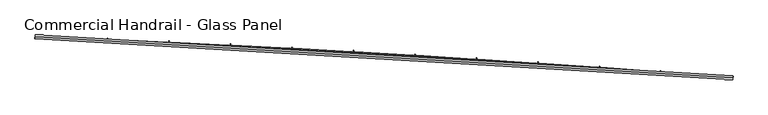
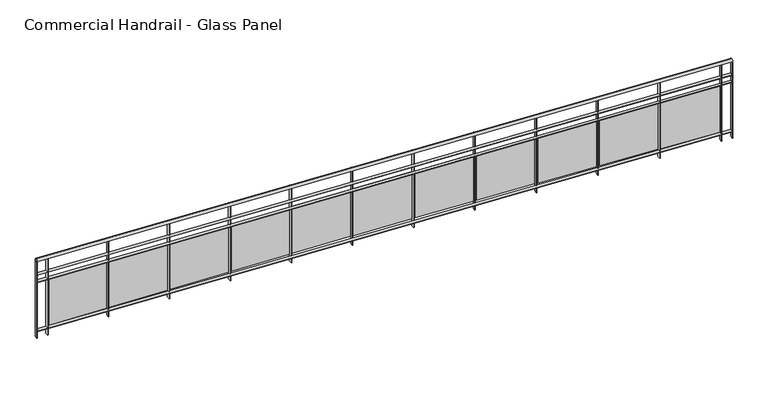
"""IFC4 building model written with IfcOpenShell, lengths in millimetres: railing geometry, Commercial Handrail - Glass Panel."""

from ifc_helpers import new_model, si_unit, point, frame, origin, place, context, project, spatial, polyline, circle_curve, ellipse_curve, trimmed, outline, extrude, source, transform, mapped, element, save
from ifc_brep_helpers import plane_surface, cylinder_surface, revolved_surface, advanced_brep


def commercial_handrail_glass_panel_168162b0(model_context):
    return source(origin(), model_context, "Body", "SolidModel", [
        advanced_brep(
        [(118318.4035087, -32849.2717188, 16282.5), (127382.7214131, -33380.8122629, 16282.5), (127382.7214131, -33380.8122629, 16317.5), (118318.4035087, -32849.2717188, 16317.5)],
        [
            (0, 1, circle_curve(frame((108840.1585672, -272033.3263712, 16282.5), z_axis=(0.0, 0.0, -1.0), x_axis=(0.07746344550314502, 0.9969951928724538, 0.0)), 239371.7801395)),
            (1, 2, ellipse_curve(frame((127382.7214131, -33380.8122629, 16300.0), z_axis=(-0.9969951928724544, 0.07746344550313862, 0.0), x_axis=(0.0774634455031386, 0.9969951928724542, 0.0)), 25.0, 17.5)),
            (2, 3, circle_curve(frame((108840.1585672, -272033.3263712, 16317.5), z_axis=(0.0, 0.0, 1.0), x_axis=(0.07746344550314502, 0.9969951928724538, 0.0)), 239371.7801395)),
            (3, 0, ellipse_curve(frame((118318.4035087, -32849.2717188, 16300.0), z_axis=(0.9992157576513465, -0.03959633393694334, 0.0), x_axis=(0.03959633393694333, 0.9992157576513463, 0.0)), 25.0, 17.5)),
            (2, 1, ellipse_curve(frame((127382.7214131, -33380.8122629, 16300.0), z_axis=(-0.9969951928724544, 0.07746344550313862, 0.0), x_axis=(0.0774634455031386, 0.9969951928724542, 0.0)), 25.0, 17.5)),
            (0, 3, ellipse_curve(frame((118318.4035087, -32849.2717188, 16300.0), z_axis=(0.9992157576513465, -0.03959633393694334, 0.0), x_axis=(0.03959633393694333, 0.9992157576513463, 0.0)), 25.0, 17.5)),
        ],
        [
            revolved_surface(trimmed(ellipse_curve(frame((127382.7214131, -33380.8122629, 16300.0), z_axis=(0.9969951928724538, -0.07746344550314502, 0.0), x_axis=(0.0, 0.0, -1.0)), 17.5, 25.0), [point((127382.7214131, -33380.8122629, 16317.5))], [point((127382.7214131, -33380.8122629, 16282.5))], True, "CARTESIAN"), (108840.1585672, -272033.3263712, 16300.0), (0.0, 0.0, 1.0)),
            revolved_surface(trimmed(ellipse_curve(frame((127382.7214131, -33380.8122629, 16300.0), z_axis=(0.9969951928724538, -0.07746344550314502, 0.0), x_axis=(0.0, 0.0, -1.0)), 17.5, 25.0), [point((127382.7214131, -33380.8122629, 16282.5))], [point((127382.7214131, -33380.8122629, 16317.5))], True, "CARTESIAN"), (108840.1585672, -272033.3263712, 16300.0), (0.0, 0.0, 1.0)),
            plane_surface(frame((127382.7214131, -33380.8122629, 16300.0), z_axis=(0.9969951928724538, -0.07746344550314502, 0.0), x_axis=(0.07746344550314502, 0.9969951928724538, 0.0))),
            plane_surface(frame((118318.4035087, -32849.2717188, 16300.0), z_axis=(-0.9992157576513464, 0.03959633393694337, 0.0), x_axis=(0.03959633393694337, 0.9992157576513464, 0.0))),
        ],
        [
            (0, [[1, 2, 3, 4]]),
            (1, [[-3, 5, -1, 6]]),
            (2, [[-2, -5]]),
            (3, [[-6, -4]]),
        ],
    ),
        advanced_brep(
        [(118317.5125912, -32871.7540734, 16100.0), (127380.9784855, -33403.2446547, 16100.0), (127384.4643406, -33358.379871, 16100.0), (118319.2944262, -32826.7893643, 16100.0), (118317.5125912, -32871.7540734, 16094.0), (127380.9784855, -33403.2446547, 16094.0), (118319.2944262, -32826.7893643, 16094.0), (127384.4643406, -33358.379871, 16094.0)],
        [
            (0, 1, circle_curve(frame((108840.1585672, -272033.3263712, 16100.0), z_axis=(0.0, 0.0, -1.0), x_axis=(0.07746344550314502, 0.9969951928724538, 0.0)), 239349.2801395)),
            (1, 2),
            (2, 3, circle_curve(frame((108840.1585672, -272033.3263712, 16100.0), z_axis=(0.0, 0.0, 1.0), x_axis=(0.07746344550314502, 0.9969951928724538, 0.0)), 239394.2801395)),
            (3, 0),
            (4, 5, circle_curve(frame((108840.1585672, -272033.3263712, 16094.0), z_axis=(0.0, 0.0, -1.0), x_axis=(0.07746344550314502, 0.9969951928724538, 0.0)), 239349.2801395)),
            (5, 1),
            (0, 4),
            (6, 7, circle_curve(frame((108840.1585672, -272033.3263712, 16094.0), z_axis=(0.0, 0.0, -1.0), x_axis=(0.07746344550314502, 0.9969951928724538, 0.0)), 239394.2801395)),
            (7, 5),
            (4, 6),
            (2, 7),
            (6, 3),
        ],
        [
            plane_surface(frame((108840.1585672, -272033.3263712, 16100.0), z_axis=(0.0, 0.0, 1.0), x_axis=(0.07746344550314502, 0.9969951928724538, 0.0))),
            revolved_surface(polyline([(127380.97848550315, -33403.24465463619, 16100.0), (127380.97848550315, -33403.24465463619, 16094.0)]), (108840.1585672, -272033.3263712, 16100.0), (0.0, 0.0, 1.0)),
            plane_surface(frame((108840.1585672, -272033.3263712, 16094.0), z_axis=(0.0, 0.0, -1.0), x_axis=(0.07746344550314502, 0.9969951928724538, 0.0))),
            cylinder_surface(frame((108840.1585672, -272033.3263712, 16100.0), z_axis=(0.0, 0.0, 1.0), x_axis=(0.07746344550314502, 0.9969951928724538, 0.0)), 239394.2801395),
            plane_surface(frame((127382.7214131, -33380.8122629, 16100.0), z_axis=(0.9969951928724538, -0.07746344550314502, 0.0), x_axis=(0.07746344550314502, 0.9969951928724538, 0.0))),
            plane_surface(frame((118318.4035087, -32849.2717188, 16100.0), z_axis=(-0.9992157576513464, 0.03959633393694337, 0.0), x_axis=(0.03959633393694337, 0.9992157576513464, 0.0))),
        ],
        [
            (0, [[1, 2, 3, 4]]),
            (1, [[5, 6, -1, 7]]),
            (2, [[8, 9, -5, 10]]),
            (3, [[-3, 11, -8, 12]]),
            (4, [[-2, -6, -9, -11]]),
            (5, [[-12, -10, -7, -4]]),
        ],
    ),
        advanced_brep(
        [(118317.5125912, -32871.7540734, 16000.0), (127380.9784855, -33403.2446547, 16000.0), (127384.4643406, -33358.379871, 16000.0), (118319.2944262, -32826.7893643, 16000.0), (118317.5125912, -32871.7540734, 15994.0), (127380.9784855, -33403.2446547, 15994.0), (118319.2944262, -32826.7893643, 15994.0), (127384.4643406, -33358.379871, 15994.0)],
        [
            (0, 1, circle_curve(frame((108840.1585672, -272033.3263712, 16000.0), z_axis=(0.0, 0.0, -1.0), x_axis=(0.07746344550314502, 0.9969951928724538, 0.0)), 239349.2801395)),
            (1, 2),
            (2, 3, circle_curve(frame((108840.1585672, -272033.3263712, 16000.0), z_axis=(0.0, 0.0, 1.0), x_axis=(0.07746344550314502, 0.9969951928724538, 0.0)), 239394.2801395)),
            (3, 0),
            (4, 5, circle_curve(frame((108840.1585672, -272033.3263712, 15994.0), z_axis=(0.0, 0.0, -1.0), x_axis=(0.07746344550314502, 0.9969951928724538, 0.0)), 239349.2801395)),
            (5, 1),
            (0, 4),
            (6, 7, circle_curve(frame((108840.1585672, -272033.3263712, 15994.0), z_axis=(0.0, 0.0, -1.0), x_axis=(0.07746344550314502, 0.9969951928724538, 0.0)), 239394.2801395)),
            (7, 5),
            (4, 6),
            (2, 7),
            (6, 3),
        ],
        [
            plane_surface(frame((108840.1585672, -272033.3263712, 16000.0), z_axis=(0.0, 0.0, 1.0), x_axis=(0.07746344550314502, 0.9969951928724538, 0.0))),
            revolved_surface(polyline([(127380.97848550315, -33403.24465463619, 16000.0), (127380.97848550315, -33403.24465463619, 15994.0)]), (108840.1585672, -272033.3263712, 16000.0), (0.0, 0.0, 1.0)),
            plane_surface(frame((108840.1585672, -272033.3263712, 15994.0), z_axis=(0.0, 0.0, -1.0), x_axis=(0.07746344550314502, 0.9969951928724538, 0.0))),
            cylinder_surface(frame((108840.1585672, -272033.3263712, 16000.0), z_axis=(0.0, 0.0, 1.0), x_axis=(0.07746344550314502, 0.9969951928724538, 0.0)), 239394.2801395),
            plane_surface(frame((127382.7214131, -33380.8122629, 16000.0), z_axis=(0.9969951928724538, -0.07746344550314502, 0.0), x_axis=(0.07746344550314502, 0.9969951928724538, 0.0))),
            plane_surface(frame((118318.4035087, -32849.2717188, 16000.0), z_axis=(-0.9992157576513464, 0.03959633393694337, 0.0), x_axis=(0.03959633393694337, 0.9992157576513464, 0.0))),
        ],
        [
            (0, [[1, 2, 3, 4]]),
            (1, [[5, 6, -1, 7]]),
            (2, [[8, 9, -5, 10]]),
            (3, [[-3, 11, -8, 12]]),
            (4, [[-2, -6, -9, -11]]),
            (5, [[-12, -10, -7, -4]]),
        ],
    ),
        advanced_brep(
        [(118317.5125912, -32871.7540734, 15300.0), (127380.9784855, -33403.2446547, 15300.0), (127384.4643406, -33358.379871, 15300.0), (118319.2944262, -32826.7893643, 15300.0), (118317.5125912, -32871.7540734, 15294.0), (127380.9784855, -33403.2446547, 15294.0), (118319.2944262, -32826.7893643, 15294.0), (127384.4643406, -33358.379871, 15294.0)],
        [
            (0, 1, circle_curve(frame((108840.1585672, -272033.3263712, 15300.0), z_axis=(0.0, 0.0, -1.0), x_axis=(0.07746344550314502, 0.9969951928724538, 0.0)), 239349.2801395)),
            (1, 2),
            (2, 3, circle_curve(frame((108840.1585672, -272033.3263712, 15300.0), z_axis=(0.0, 0.0, 1.0), x_axis=(0.07746344550314502, 0.9969951928724538, 0.0)), 239394.2801395)),
            (3, 0),
            (4, 5, circle_curve(frame((108840.1585672, -272033.3263712, 15294.0), z_axis=(0.0, 0.0, -1.0), x_axis=(0.07746344550314502, 0.9969951928724538, 0.0)), 239349.2801395)),
            (5, 1),
            (0, 4),
            (6, 7, circle_curve(frame((108840.1585672, -272033.3263712, 15294.0), z_axis=(0.0, 0.0, -1.0), x_axis=(0.07746344550314502, 0.9969951928724538, 0.0)), 239394.2801395)),
            (7, 5),
            (4, 6),
            (2, 7),
            (6, 3),
        ],
        [
            plane_surface(frame((108840.1585672, -272033.3263712, 15300.0), z_axis=(0.0, 0.0, 1.0), x_axis=(0.07746344550314502, 0.9969951928724538, 0.0))),
            revolved_surface(polyline([(127380.97848550315, -33403.24465463619, 15300.0), (127380.97848550315, -33403.24465463619, 15294.0)]), (108840.1585672, -272033.3263712, 15300.0), (0.0, 0.0, 1.0)),
            plane_surface(frame((108840.1585672, -272033.3263712, 15294.0), z_axis=(0.0, 0.0, -1.0), x_axis=(0.07746344550314502, 0.9969951928724538, 0.0))),
            cylinder_surface(frame((108840.1585672, -272033.3263712, 15300.0), z_axis=(0.0, 0.0, 1.0), x_axis=(0.07746344550314502, 0.9969951928724538, 0.0)), 239394.2801395),
            plane_surface(frame((127382.7214131, -33380.8122629, 15300.0), z_axis=(0.9969951928724538, -0.07746344550314502, 0.0), x_axis=(0.07746344550314502, 0.9969951928724538, 0.0))),
            plane_surface(frame((118318.4035087, -32849.2717188, 15300.0), z_axis=(-0.9992157576513464, 0.03959633393694337, 0.0), x_axis=(0.03959633393694337, 0.9992157576513464, 0.0))),
        ],
        [
            (0, [[1, 2, 3, 4]]),
            (1, [[5, 6, -1, 7]]),
            (2, [[8, 9, -5, 10]]),
            (3, [[-3, 11, -8, 12]]),
            (4, [[-2, -6, -9, -11]]),
            (5, [[-12, -10, -7, -4]]),
        ],
    ),
        extrude(outline(polyline([(118462.4105775, -32832.5035492), (118460.6024038, -32877.4672068), (118454.6072494, -32877.226117), (118456.4154232, -32832.2624594), (118462.4105775, -32832.5035492)])), frame((0.0, 0.0, 15200.0), z_axis=(0.0, 0.0, 1.0), x_axis=(1.0, 0.0, 0.0)), (0.0, 0.0, 1.0), 1082.1192282),
        extrude(outline(polyline([(119237.5882112, -32893.169646), (118478.2540839, -32861.3626786), (118478.7562992, -32849.3731924), (119238.0904265, -32881.1801598), (119237.5882112, -32893.169646)])), frame((0.0, 0.0, 15320.0), z_axis=(0.0, 0.0, 1.0), x_axis=(1.0, 0.0, 0.0)), (0.0, 0.0, 1.0), 660.0),
        extrude(outline(polyline([(119261.7839982, -32865.9977164), (119259.8255626, -32910.9550799), (119253.8312475, -32910.6939552), (119255.789683, -32865.7365917), (119261.7839982, -32865.9977164)])), frame((0.0, 0.0, 15200.0), z_axis=(0.0, 0.0, 1.0), x_axis=(1.0, 0.0, 0.0)), (0.0, 0.0, 1.0), 1082.1192282),
        extrude(outline(polyline([(120036.754552, -32929.2541764), (119277.5309667, -32894.9096349), (119278.0732489, -32882.9218941), (120037.2968342, -32917.2664356), (120036.754552, -32929.2541764)])), frame((0.0, 0.0, 15320.0), z_axis=(0.0, 0.0, 1.0), x_axis=(1.0, 0.0, 0.0)), (0.0, 0.0, 1.0), 660.0),
        extrude(outline(polyline([(120061.0410145, -32902.1632628), (120058.932339, -32947.1138299), (120052.93893, -32946.8326732), (120055.0476055, -32901.8821061), (120061.0410145, -32902.1632628)])), frame((0.0, 0.0, 15200.0), z_axis=(0.0, 0.0, 1.0), x_axis=(1.0, 0.0, 0.0)), (0.0, 0.0, 1.0), 1082.1192282),
        extrude(outline(polyline([(120835.7958324, -32968.0093795), (120076.6912693, -32931.1276473), (120077.2736124, -32919.1417858), (120836.3781756, -32956.0235179), (120835.7958324, -32968.0093795)])), frame((0.0, 0.0, 15320.0), z_axis=(0.0, 0.0, 1.0), x_axis=(1.0, 0.0, 0.0)), (0.0, 0.0, 1.0), 660.0),
        extrude(outline(polyline([(120860.1726992, -32940.9997843), (120857.9138072, -32985.943053), (120851.9213714, -32985.6418675), (120854.1802633, -32940.6985987), (120860.1726992, -32940.9997843)])), frame((0.0, 0.0, 15200.0), z_axis=(0.0, 0.0, 1.0), x_axis=(1.0, 0.0, 0.0)), (0.0, 0.0, 1.0), 1082.1192282),
        extrude(outline(polyline([(121634.7031276, -33009.4348222), (120875.7260654, -32970.0163114), (120876.3484629, -32958.032463), (121635.3255252, -32997.4509738), (121634.7031276, -33009.4348222)])), frame((0.0, 0.0, 15320.0), z_axis=(0.0, 0.0, 1.0), x_axis=(1.0, 0.0, 0.0)), (0.0, 0.0, 1.0), 660.0),
        extrude(outline(polyline([(121659.1701263, -32982.5068471), (121656.7610432, -33027.4423155), (121650.7696474, -33027.1211044), (121653.1787305, -32982.1856361), (121659.1701263, -32982.5068471)])), frame((0.0, 0.0, 15200.0), z_axis=(0.0, 0.0, 1.0), x_axis=(1.0, 0.0, 0.0)), (0.0, 0.0, 1.0), 1082.1192282),
        extrude(outline(polyline([(122433.4675142, -33053.5300418), (121674.6264303, -33011.5751927), (121675.2888752, -32999.5934914), (122434.1299592, -33041.5483405), (122433.4675142, -33053.5300418)])), frame((0.0, 0.0, 15320.0), z_axis=(0.0, 0.0, 1.0), x_axis=(1.0, 0.0, 0.0)), (0.0, 0.0, 1.0), 660.0),
        extrude(outline(polyline([(122458.0243716, -33026.6839877), (122455.4651242, -33071.6111538), (122449.4748354, -33071.2699209), (122452.0340827, -33026.3427548), (122458.0243716, -33026.6839877)])), frame((0.0, 0.0, 15200.0), z_axis=(0.0, 0.0, 1.0), x_axis=(1.0, 0.0, 0.0)), (0.0, 0.0, 1.0), 1082.1192282),
        extrude(outline(polyline([(123232.0800703, -33100.2945459), (122473.3834406, -33055.8038271), (122474.0859256, -33043.8244066), (123232.7825553, -33088.3151255), (123232.0800703, -33100.2945459)])), frame((0.0, 0.0, 15320.0), z_axis=(0.0, 0.0, 1.0), x_axis=(1.0, 0.0, 0.0)), (0.0, 0.0, 1.0), 660.0),
        extrude(outline(polyline([(123256.726512, -33073.5307127), (123254.017129, -33118.4490746), (123248.0280141, -33118.0878236), (123250.7373971, -33073.1694616), (123256.726512, -33073.5307127)])), frame((0.0, 0.0, 15200.0), z_axis=(0.0, 0.0, 1.0), x_axis=(1.0, 0.0, 0.0)), (0.0, 0.0, 1.0), 1082.1192282),
        extrude(outline(polyline([(124030.5318758, -33149.7278122), (123271.9881746, -33102.7017206), (123272.7306918, -33090.7247148), (124031.2743931, -33137.7508064), (124030.5318758, -33149.7278122)])), frame((0.0, 0.0, 15320.0), z_axis=(0.0, 0.0, 1.0), x_axis=(1.0, 0.0, 0.0)), (0.0, 0.0, 1.0), 660.0),
        extrude(outline(polyline([(124055.2676267, -33123.0464986), (124052.4081383, -33167.9555548), (124046.4202641, -33167.5742897), (124049.2797526, -33122.6652335), (124055.2676267, -33123.0464986)])), frame((0.0, 0.0, 15200.0), z_axis=(0.0, 0.0, 1.0), x_axis=(1.0, 0.0, 0.0)), (0.0, 0.0, 1.0), 1082.1192282),
        extrude(outline(polyline([(124828.8140126, -33201.8292884), (124070.4317123, -33152.2683493), (124071.2142535, -33140.2938919), (124829.5965537, -33189.854831), (124828.8140126, -33201.8292884)])), frame((0.0, 0.0, 15320.0), z_axis=(0.0, 0.0, 1.0), x_axis=(1.0, 0.0, 0.0)), (0.0, 0.0, 1.0), 660.0),
        extrude(outline(polyline([(124853.6387962, -33175.2307926), (124850.6292343, -33220.1300413), (124844.6426678, -33219.7287664), (124847.6522297, -33174.8295177), (124853.6387962, -33175.2307926)])), frame((0.0, 0.0, 15200.0), z_axis=(0.0, 0.0, 1.0), x_axis=(1.0, 0.0, 0.0)), (0.0, 0.0, 1.0), 1082.1192282),
        extrude(outline(polyline([(125626.917564, -33256.5983926), (124868.7051355, -33204.5031595), (124869.5276919, -33192.5313844), (125627.7401203, -33244.6266175), (125626.917564, -33256.5983926)])), frame((0.0, 0.0, 15320.0), z_axis=(0.0, 0.0, 1.0), x_axis=(1.0, 0.0, 0.0)), (0.0, 0.0, 1.0), 660.0),
        extrude(outline(polyline([(125651.8311032, -33230.0830117), (125648.6715014, -33274.9719515), (125642.6863095, -33274.5506713), (125645.8459113, -33229.6617315), (125651.8311032, -33230.0830117)])), frame((0.0, 0.0, 15200.0), z_axis=(0.0, 0.0, 1.0), x_axis=(1.0, 0.0, 0.0)), (0.0, 0.0, 1.0), 1082.1192282),
        extrude(outline(polyline([(126424.8336158, -33314.0345132), (125666.7995279, -33259.405568), (125667.6620902, -33247.4366087), (126425.6961781, -33302.0655539), (126424.8336158, -33314.0345132)])), frame((0.0, 0.0, 15320.0), z_axis=(0.0, 0.0, 1.0), x_axis=(1.0, 0.0, 0.0)), (0.0, 0.0, 1.0), 660.0),
        extrude(outline(polyline([(126449.8356323, -33287.6025432), (126446.5260259, -33332.4806727), (126440.5422753, -33332.0393919), (126443.8518817, -33287.1612624), (126449.8356323, -33287.6025432)])), frame((0.0, 0.0, 15200.0), z_axis=(0.0, 0.0, 1.0), x_axis=(1.0, 0.0, 0.0)), (0.0, 0.0, 1.0), 1082.1192282),
        extrude(outline(polyline([(127222.5532556, -33374.1370085), (126464.7059752, -33316.9749614), (126465.6085338, -33305.0089517), (127223.4558142, -33362.1709988), (127222.5532556, -33374.1370085)])), frame((0.0, 0.0, 15320.0), z_axis=(0.0, 0.0, 1.0), x_axis=(1.0, 0.0, 0.0)), (0.0, 0.0, 1.0), 660.0),
        extrude(outline(polyline([(127247.64347, -33347.7887447), (127244.1838961, -33392.6555626), (127238.2016537, -33392.1942861), (127241.6612277, -33347.3274682), (127247.64347, -33347.7887447)])), frame((0.0, 0.0, 15200.0), z_axis=(0.0, 0.0, 1.0), x_axis=(1.0, 0.0, 0.0)), (0.0, 0.0, 1.0), 1082.1192282),
        extrude(outline(polyline([(118322.2920735, -32826.9081533), (118320.5102385, -32871.8728624), (118314.5149439, -32871.6352844), (118316.296779, -32826.6705753), (118322.2920735, -32826.9081533)])), frame((0.0, 0.0, 15200.0), z_axis=(0.0, 0.0, 1.0), x_axis=(1.0, 0.0, 0.0)), (0.0, 0.0, 1.0), 1082.1192282),
        extrude(outline(polyline([(127387.4553262, -33358.6122614), (127383.9694711, -33403.477045), (127377.9875, -33403.0122644), (127381.473355, -33358.1474807), (127387.4553262, -33358.6122614)])), frame((0.0, 0.0, 15200.0), z_axis=(0.0, 0.0, 1.0), x_axis=(1.0, 0.0, 0.0)), (0.0, 0.0, 1.0), 1082.1192282),
    ])


if __name__ == "__main__":
    model = new_model("IFC4")
    model_context = context("Model", 3, world=origin())
    ifc_project = project(units=[si_unit("LENGTHUNIT", "METRE", prefix="MILLI")], contexts=[model_context])
    site = spatial("IfcSite", under=ifc_project)
    building = spatial("IfcBuilding", under=site)
    placement = place(None, origin())
    commercial_handrail_glass_panel_shape = commercial_handrail_glass_panel_168162b0(model_context)
    element("IfcRailing", 1, ObjectType="Commercial Handrail - Glass Panel", at=placement, inside=building, context=model_context, shape_type="MappedRepresentation", body=[
        mapped(commercial_handrail_glass_panel_shape, transform((0.0, 0.0, 0.0), x_axis=(1.0, 0.0, 0.0), y_axis=(0.0, 1.0, 0.0), z_axis=(0.0, 0.0, 1.0))),
    ])
    save(model, "model.ifc")
